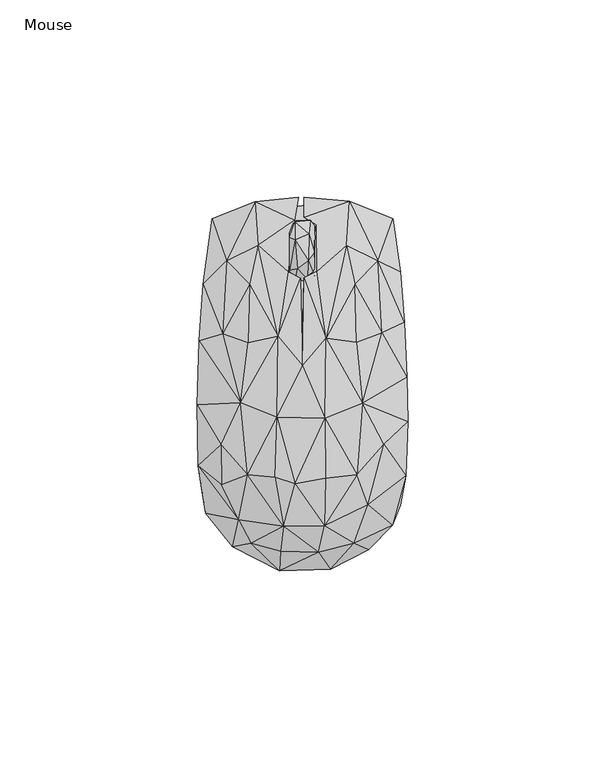
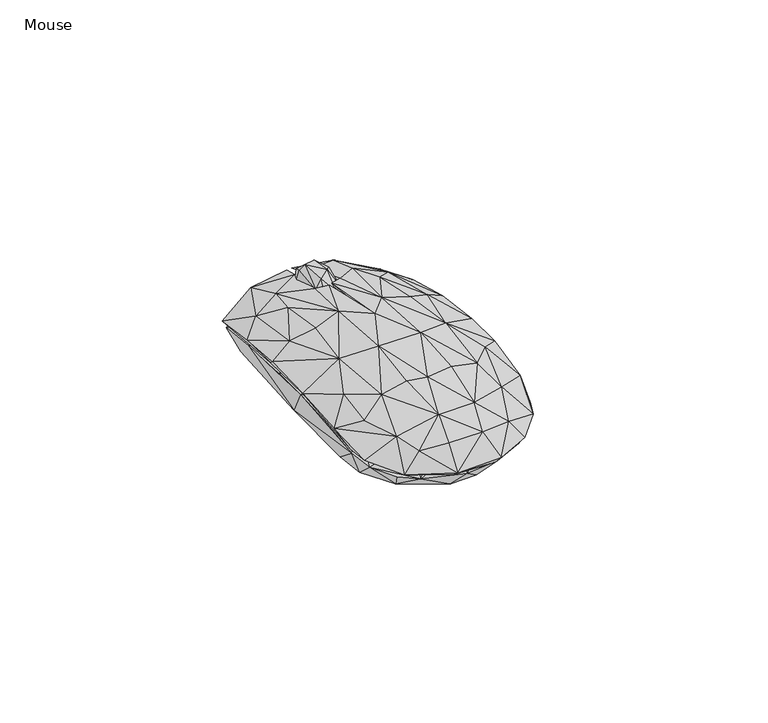
"""IFC4 building model written with IfcOpenShell, lengths in millimetres: furniture geometry, Mouse."""

from ifc_helpers import new_model, si_unit, origin, place, context, project, spatial, triangles, source, transform, mapped, element, save


def mouse_b3238763(model_context):
    return source(origin(), model_context, "Body", "Tessellation", [
        triangles([(-1.7870565, 25.5556962, 15.0905964), (1.4279138, 26.2556943, 17.1901673), (-1.2795709, 29.2699839, 20.2893139), (-3.1870562, 28.7699826, 18.08974), (2.0354013, 41.5199902, 14.9905991), (-1.7870542, 41.1199919, 16.590171), (1.7354006, 38.1057046, 19.6893142), (3.1353992, 27.4628381, 17.4901695), (1.5279145, 31.2771243, 21.0893128), (3.1353998, 33.2842738, 20.0893125), (-3.1870548, 37.2057028, 18.88974), (-1.8870549, 36.5985564, 20.489313), (1.5279142, 29.1699832, 6.1931664), (3.2353996, 31.9842782, 6.2931672), (3.0353988, 27.1628406, 9.1923094), (-1.6870564, 26.4556958, 8.9923086), (-1.6870557, 31.4771303, 5.2931674), (-0.07957, 35.0985594, 5.0931677), (-3.0870552, 33.6914164, 6.1931676), (2.2354005, 37.705704, 6.3931679), (3.2354011, 39.9199925, 12.4914546), (-3.1870565, 26.8556963, 10.3918814), (-3.0870544, 40.0199909, 11.4914554), (-1.6870545, 39.21285, 7.4927402), (1.9354011, 41.1199964, 10.0918838), (-1.5870542, 41.4199918, 11.7914553), (2.0353988, 25.4556955, 12.9914524)], [[1, 2, 3], [1, 3, 4], [5, 6, 7], [2, 8, 9], [2, 9, 3], [8, 10, 9], [6, 11, 12], [6, 12, 7], [4, 12, 11], [4, 3, 12], [3, 9, 12], [9, 7, 12], [9, 10, 7], [13, 14, 15], [13, 16, 17], [13, 17, 18], [13, 18, 14], [13, 15, 16], [17, 19, 18], [17, 16, 19], [14, 18, 20], [14, 20, 21], [14, 21, 10], [14, 10, 15], [19, 16, 22], [19, 23, 24], [19, 24, 18], [19, 22, 4], [19, 4, 23], [18, 24, 20], [20, 25, 21], [20, 24, 25], [24, 23, 26], [24, 26, 25], [16, 15, 27], [16, 27, 1], [16, 1, 22], [15, 8, 27], [15, 10, 8], [22, 1, 4], [25, 26, 5], [25, 5, 21], [27, 8, 2], [27, 2, 1], [23, 4, 11], [23, 11, 6], [23, 6, 26], [26, 6, 5], [21, 5, 7], [21, 7, 10]]),
        triangles([(-11.1957783, 35.1929554, 15.7576739), (-6.1527687, 12.043485, 22.6493352), (-3.6527663, 28.4764663, 18.7493393), (-2.0097511, 41.52594, 14.4576761), (11.1762755, 35.1929554, 15.7576739), (3.6332621, 40.4094475, 14.5576768), (3.7332603, 28.576467, 19.3493413), (6.0332578, 11.6269917, 22.7493359), (-4.7527761, -36.004938, 19.4493284), (5.633251, -35.9049373, 19.3493299), (-1.8097609, -25.271954, 23.3493288), (-6.9527744, -23.671954, 22.9493305), (-13.8957872, -22.9554597, 20.8493315), (5.8332525, -23.8719554, 23.0493312), (13.8762662, -22.9554643, 20.8493315), (-6.3527719, -8.4224811, 24.3493313), (5.7332546, -8.6224825, 24.449332), (3.5332526, -25.7719553, 21.6493303), (-5.7527744, -23.4554633, 21.8493295), (4.6332539, -15.1389731, 23.0493312), (13.7762655, -22.6554644, 19.6493298), (-15.6387983, -4.7059874, 21.5493319), (-13.7957876, -22.6554599, 19.6493298), (-6.052772, -8.3224804, 23.1493319), (-13.8957849, -5.7059874, 21.0493329), (13.8762685, -5.6059913, 21.0493329), (15.2192802, -4.905992, 21.7493333), (-0.1097564, 6.1269925, 22.7493359), (6.0332561, -1.3059907, 23.0493335), (0.0902435, 4.6105014, 24.1493345), (-6.1527687, 11.5269933, 21.4493357), (-13.795782, 10.4269946, 21.0493352), (-15.0387952, 9.6269946, 19.3493367), (5.9332583, 16.0434838, 20.7493376), (15.5192823, 11.1269916, 18.949335), (13.7762712, 10.5269908, 21.0493352), (0.3902468, 26.8764663, 19.9493387), (-0.4097533, 26.7764656, 19.6493389), (-6.1527773, -46.2214247, 7.5659972), (-17.7388019, -41.3049279, 8.5659975), (-10.6957895, -40.1049376, 13.0659971), (0.1902363, -42.7214294, 13.3576626), (5.4332491, -46.4214216, 7.4659965), (-5.7527778, -47.3214257, 8.5659969), (7.1332492, -46.9214229, 8.5659969), (4.1332498, -42.6214264, 14.9576614), (-5.552777, -42.421425, 14.8576619), (-12.9957899, -40.3049345, 13.6576624), (12.8762637, -39.5049424, 12.5659981), (16.8192757, -42.0214267, 8.4659979), (5.73325, -41.1049356, 14.2576622), (13.076264, -40.304939, 13.6576624), (15.9192761, -33.788449, 14.6576639), (24.8622928, -30.6884475, 9.4659988), (22.86229, -35.8049389, 9.7659986), (-16.138803, -34.3884419, 15.657663), (-24.4818155, -32.7884374, 10.2659999), (-25.3818151, -27.2719477, 10.5659998), (-15.8388032, -33.7884422, 14.5576643), (-5.5527758, -35.3884445, 18.1576626), (4.7332509, -35.3884445, 18.2576644), (16.6192765, -30.5884468, 17.1576646), (26.2622937, -23.2554664, 12.8660013), (-26.3818154, -20.7554578, 13.4576667), (20.1192775, -25.6719568, 15.5576646), (-26.6818107, -5.3059846, 14.9576683), (-20.4388006, -23.355458, 15.8576667), (26.5622958, 1.7104985, 15.0576701), (26.7622927, -9.6224834, 15.0576678), (20.4192796, -14.4389738, 17.5576674), (20.7192795, -15.2389749, 18.6576673), (-25.1818069, 25.2764709, 12.2660096), (-26.1818094, 11.0269966, 14.6576718), (-20.2387969, 12.7434877, 17.8576707), (-19.2387943, 31.1929611, 14.0576755), (-22.8818064, 41.8259444, 7.3660123), (-25.7818088, 12.74349, 13.1576714), (24.8622997, 28.476464, 11.4660096), (25.9622984, 15.643481, 13.9576725), (22.9623021, 41.8259399, 7.3660123), (19.2192847, 31.1929543, 14.0576755), (20.619281, -1.505992, 17.8576684), (19.0192856, 30.1929563, 13.0576752), (-11.9957771, 46.2259393, 11.1660131), (-15.7387888, 44.2259478, 9.2660121), (-19.5387942, 22.3599792, 14.9576728), (-1.0097502, 47.3259403, 11.9660131), (-11.295779, 34.7929549, 14.5576768), (-13.19578, 24.876468, 16.9576745), (0.4902497, 47.3259403, 12.0660127), (0.4902489, 42.3259412, 14.1576773), (11.9762766, 46.3259423, 11.1660131), (11.576276, 45.5259412, 10.2660135), (11.3762746, 34.7929549, 14.5576768), (-20.4388006, -25.5719493, 16.7576651), (-20.6387997, -15.4389695, 18.6576673), (-20.7818143, -6.8224771, 17.8576673), (20.2192827, 13.0434819, 17.8576707), (-13.3957803, 25.2764663, 18.1576717), (13.3762729, 25.2764641, 18.1576717), (0.8902466, 26.4764658, 18.7576725), (13.2762733, 24.8764635, 16.9576745), (-3.7388666, -39.9733413, 0.003401), (3.9916191, -39.7733399, 0.0034011), (-2.1388672, -45.7733416, 6.3030724), (-13.6998394, -42.3733402, 6.6030723), (-15.599837, -33.0558788, 0.0034022), (15.6525909, -33.0558856, 0.0034022), (7.022105, -44.973345, 6.4030726), (-20.9303222, -24.0209584, 0.0034038), (20.8830799, -24.1209659, 0.0034038), (-23.2303226, -33.0558788, 7.8030745), (-18.7998381, -38.9558798, 6.9030733), (15.6525909, -41.2733437, 6.703073), (23.5830786, -32.5384254, 7.9030747), (-21.9303202, -15.9034987, 0.2034053), (-21.6303181, 7.666342, 0.0034094), (-25.1303225, -27.4384188, 9.3030755), (21.9830786, -20.2209655, 0.6034044), (21.4830864, 9.3663364, 0.0034097), (25.4830784, -24.6209695, 10.1030761), (-26.1303182, -3.368581, 13.1027499), (-24.3303145, 26.2187235, 9.8030842), (-20.3303134, 36.9361834, 0.0034145), (7.2221172, 38.3361774, 0.0034147), (20.38309, 36.9361743, 0.0034145), (22.2830875, 40.8536337, 5.6034149), (24.2830858, 27.218717, 9.6030839), (25.4830853, 12.3663327, 12.1027542), (-22.2303132, 40.9536458, 5.6034149), (-5.538855, 38.4361759, 0.0034147), (-10.5693403, 44.8536394, 9.2030873), (7.0221186, 45.4536391, 9.8030887), (17.1526038, 43.1536341, 7.6030873), (-18.6998283, 30.1187216, 11.9027573), (18.7526015, 30.1187171, 11.9027573), (-3.2388668, -41.9733464, 11.7027445), (-5.8388662, -37.3558889, 15.4027447), (-13.0693524, -35.3558838, 13.9027454), (5.2916192, -41.5733436, 11.8027441), (19.1525918, -33.6558899, 10.9030749), (13.0525917, -35.3558929, 13.9027454), (-20.3303225, -22.8209612, 14.6027481), (19.9830803, -22.2209683, 15.0027475), (-26.0303198, -14.8035, 12.3027488), (26.0830827, -11.9860473, 12.6027498), (-25.7303176, 8.26634, 12.6027543), (-19.7303159, 12.6663394, 15.602754), (-8.8693408, 36.2361739, 13.2027574), (0.8916307, 34.5361709, 14.902757), (12.8221166, 29.7187165, 14.3027562), (6.2916309, 33.1361746, 14.902757), (1.6916201, -35.7558866, 17.0024188), (6.7221068, -33.7558883, 17.2024179), (-6.2388645, -29.2384247, 19.0024193), (-13.4998369, -26.2209649, 17.6024219), (13.5525941, -26.2209672, 17.6024219), (-20.2303218, -9.8860415, 16.8027489), (-13.6998349, -14.3035033, 19.6024236), (20.5830846, -5.7685887, 16.7027505), (13.7525956, -14.3035078, 19.6024236), (-16.1998333, -0.8685835, 18.6024256), (19.8830841, 9.5663333, 16.0027535), (13.7525978, -2.1685884, 19.802425), (-13.0693433, 24.60126, 15.8027554), (-13.4998312, 10.1663376, 18.6024267), (13.5525998, 10.1663342, 18.6024267), (-6.138857, 24.3012579, 17.5024291), (6.7221142, 16.3837917, 19.3024283), (1.6916276, 15.1837934, 20.0024264), (1.6916218, -24.6209672, 20.8024207), (6.9221083, -22.9209688, 20.5024209), (-6.2388634, -17.6035051, 21.4024205), (6.4916232, -12.0860458, 21.8024233), (1.1916242, -8.8860446, 22.402423), (-6.0388614, -5.4685854, 22.0024224), (6.9221117, -0.6685873, 21.5024234), (1.6916261, 4.2488757, 21.7024226), (-6.1388598, 7.6663357, 20.8024253)], [[1, 2, 3], [1, 3, 4], [5, 6, 7], [5, 7, 8], [9, 10, 11], [9, 12, 13], [9, 11, 12], [10, 14, 11], [10, 15, 14], [12, 11, 16], [12, 16, 13], [11, 14, 17], [11, 17, 16], [18, 19, 20], [18, 20, 21], [14, 15, 17], [13, 16, 22], [23, 24, 19], [23, 25, 24], [19, 24, 20], [21, 20, 26], [15, 27, 17], [20, 24, 28], [20, 29, 26], [20, 28, 29], [16, 17, 30], [16, 30, 2], [16, 2, 22], [24, 25, 31], [24, 31, 28], [17, 27, 8], [17, 8, 30], [22, 2, 32], [25, 33, 31], [29, 28, 34], [29, 35, 26], [29, 34, 35], [27, 36, 8], [30, 8, 37], [30, 38, 2], [30, 28, 38], [30, 37, 28], [31, 3, 38], [31, 38, 28], [8, 7, 37], [2, 38, 3], [39, 40, 41], [39, 41, 42], [39, 42, 43], [39, 44, 40], [39, 43, 44], [44, 45, 46], [44, 47, 48], [44, 46, 47], [44, 48, 40], [44, 43, 45], [43, 49, 50], [43, 42, 51], [43, 51, 49], [43, 50, 45], [45, 50, 52], [45, 52, 46], [50, 49, 53], [50, 53, 54], [50, 54, 55], [50, 55, 52], [40, 48, 56], [40, 56, 57], [40, 58, 59], [40, 59, 41], [40, 57, 58], [41, 59, 60], [41, 60, 42], [49, 51, 61], [49, 61, 53], [55, 62, 52], [55, 63, 62], [55, 54, 63], [57, 56, 64], [57, 64, 58], [54, 53, 65], [54, 65, 63], [58, 64, 66], [58, 67, 59], [58, 66, 67], [63, 68, 69], [63, 65, 70], [63, 70, 68], [63, 71, 62], [63, 69, 71], [72, 73, 74], [72, 74, 75], [72, 75, 76], [72, 76, 77], [72, 77, 73], [78, 79, 68], [78, 80, 81], [78, 81, 79], [78, 82, 35], [78, 68, 82], [78, 83, 80], [78, 35, 83], [76, 84, 85], [76, 75, 84], [76, 85, 86], [76, 86, 77], [85, 84, 87], [85, 87, 88], [85, 89, 86], [85, 88, 89], [84, 75, 1], [84, 1, 4], [84, 4, 87], [87, 4, 88], [90, 91, 92], [90, 93, 91], [90, 92, 93], [93, 80, 83], [93, 94, 6], [93, 83, 94], [93, 6, 91], [93, 92, 80], [92, 5, 81], [92, 81, 80], [92, 6, 5], [92, 91, 6], [47, 9, 48], [47, 46, 9], [42, 60, 61], [42, 61, 51], [46, 52, 10], [46, 10, 9], [48, 9, 56], [52, 62, 10], [56, 9, 13], [56, 13, 95], [56, 95, 64], [59, 67, 23], [59, 23, 60], [60, 18, 61], [60, 23, 19], [60, 19, 18], [61, 18, 21], [61, 21, 53], [53, 21, 65], [62, 71, 15], [62, 15, 10], [95, 96, 64], [95, 13, 96], [65, 21, 70], [64, 96, 66], [67, 97, 23], [67, 66, 97], [96, 13, 22], [96, 22, 66], [70, 82, 68], [70, 21, 26], [70, 26, 82], [71, 69, 27], [71, 27, 15], [97, 66, 77], [97, 77, 33], [97, 25, 23], [97, 33, 25], [69, 68, 27], [66, 73, 77], [66, 22, 73], [82, 26, 35], [68, 98, 27], [68, 79, 98], [73, 22, 74], [77, 86, 33], [74, 99, 75], [74, 22, 32], [74, 32, 99], [98, 79, 81], [98, 100, 36], [98, 81, 100], [98, 36, 27], [86, 89, 33], [99, 1, 75], [99, 32, 2], [99, 2, 1], [89, 88, 31], [89, 31, 33], [101, 37, 7], [101, 94, 34], [101, 6, 94], [101, 34, 28], [101, 28, 37], [101, 7, 6], [102, 94, 83], [102, 83, 35], [102, 35, 34], [102, 34, 94], [100, 5, 8], [100, 81, 5], [100, 8, 36], [88, 4, 3], [88, 3, 31], [103, 104, 105], [103, 105, 106], [103, 107, 104], [103, 106, 107], [104, 107, 108], [104, 109, 105], [104, 108, 109], [107, 110, 111], [107, 111, 108], [107, 112, 110], [107, 113, 112], [107, 106, 113], [108, 114, 109], [108, 111, 115], [108, 115, 114], [110, 116, 117], [110, 117, 111], [110, 112, 118], [110, 118, 116], [111, 119, 115], [111, 117, 120], [111, 120, 119], [119, 120, 121], [119, 121, 115], [116, 118, 117], [117, 118, 122], [117, 123, 124], [117, 122, 123], [117, 124, 120], [120, 124, 125], [120, 125, 126], [120, 126, 127], [120, 127, 128], [120, 128, 129], [120, 129, 121], [124, 130, 131], [124, 131, 125], [124, 123, 130], [131, 130, 132], [131, 132, 125], [125, 132, 133], [125, 133, 134], [125, 134, 126], [126, 134, 127], [130, 123, 135], [130, 135, 132], [127, 134, 136], [127, 136, 128], [106, 137, 138], [106, 112, 113], [106, 105, 137], [106, 139, 112], [106, 138, 139], [105, 109, 140], [105, 140, 137], [109, 114, 140], [114, 141, 142], [114, 115, 141], [114, 142, 140], [112, 139, 143], [112, 143, 118], [141, 115, 121], [141, 121, 144], [141, 144, 142], [118, 145, 122], [118, 143, 145], [121, 129, 146], [121, 146, 144], [123, 147, 148], [123, 148, 135], [123, 122, 147], [128, 136, 129], [132, 135, 149], [132, 149, 150], [132, 150, 133], [133, 151, 134], [133, 150, 152], [133, 152, 151], [134, 151, 136], [137, 140, 153], [137, 153, 138], [140, 142, 154], [140, 154, 153], [139, 138, 155], [139, 155, 156], [139, 156, 143], [138, 153, 155], [142, 144, 157], [142, 157, 154], [143, 158, 145], [143, 156, 159], [143, 159, 158], [144, 146, 160], [144, 160, 161], [144, 161, 157], [145, 158, 122], [158, 159, 162], [158, 162, 122], [146, 129, 160], [122, 162, 147], [160, 163, 164], [160, 129, 163], [160, 164, 161], [147, 162, 148], [148, 165, 135], [148, 162, 166], [148, 166, 165], [163, 129, 136], [163, 151, 167], [163, 136, 151], [163, 167, 164], [165, 149, 135], [165, 166, 168], [165, 168, 149], [151, 152, 169], [151, 169, 167], [149, 168, 150], [150, 170, 152], [150, 168, 170], [152, 170, 169], [153, 154, 171], [153, 171, 155], [154, 172, 171], [154, 157, 172], [155, 171, 173], [155, 173, 156], [156, 173, 159], [171, 172, 174], [171, 175, 173], [171, 174, 175], [172, 157, 161], [172, 161, 174], [159, 173, 176], [159, 176, 162], [173, 175, 176], [161, 177, 174], [161, 164, 177], [175, 174, 177], [175, 177, 178], [175, 178, 176], [162, 176, 179], [162, 179, 166], [176, 178, 179], [177, 164, 167], [177, 167, 169], [177, 170, 178], [177, 169, 170], [178, 170, 179], [166, 179, 168], [179, 170, 168]]),
    ])


if __name__ == "__main__":
    model = new_model("IFC4")
    model_context = context("Model", 3, world=origin())
    ifc_project = project(units=[si_unit("LENGTHUNIT", "METRE", prefix="MILLI")], contexts=[model_context])
    site = spatial("IfcSite", under=ifc_project)
    building = spatial("IfcBuilding", under=site)
    placement = place(None, origin())
    mouse_shape = mouse_b3238763(model_context)
    element("IfcFurniture", 1, ObjectType="Mouse", at=placement, inside=building, context=model_context, shape_type="MappedRepresentation", body=[
        mapped(mouse_shape, transform((0.0, 0.0, 0.0), x_axis=(1.0, 0.0, 0.0), y_axis=(0.0, 1.0, 0.0), z_axis=(0.0, 0.0, 1.0))),
    ])
    save(model, "model.ifc")
